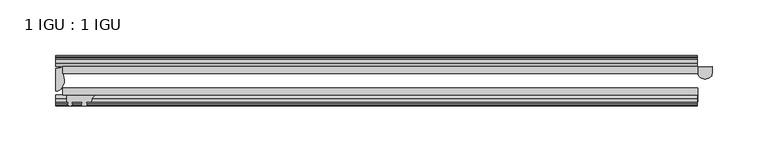
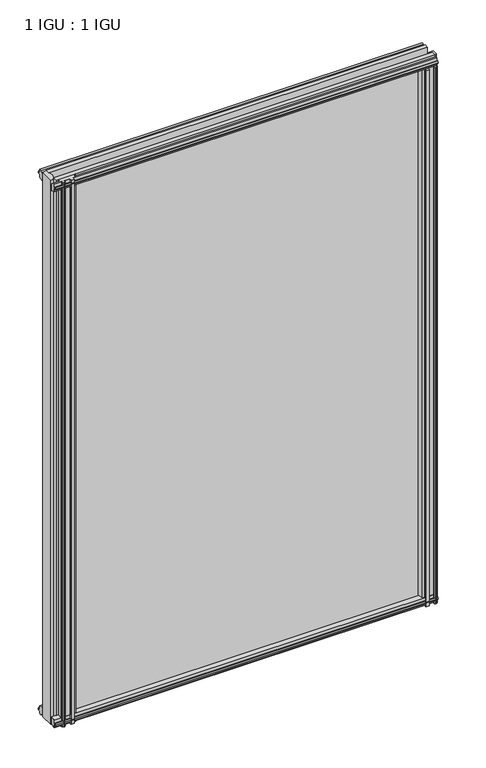
"""IFC4 building model written with IfcOpenShell, lengths in millimetres: plate geometry, 1 IGU : 1 IGU."""

from ifc_helpers import new_model, si_unit, point, frame, frame_2d, origin, place, context, project, spatial, polyline, circle_curve, ellipse_curve, trimmed, segment, composite_curve, outline, extrude, source, transform, mapped, element, save
from ifc_brep_helpers import plane_surface, cylinder_surface, revolved_surface, extruded_surface, advanced_brep


def plate_1_igu_1_igu_33520afc(model_context):
    return source(origin(), model_context, "Body", "SolidModel", [
        extrude(outline(polyline([(-314.3182532, -38.6468937), (253.8940345, -38.6468937), (253.8940345, -44.9460938), (-314.3182532, -44.9460938), (-314.3182532, -38.6468937)])), frame((0.0, 0.0, -12.7), z_axis=(0.0, 0.0, 1.0), x_axis=(1.0, 0.0, 0.0)), (0.0, 0.0, 1.0), 863.5999996),
        extrude(outline(polyline([(-314.3182532, -19.5460937), (253.8940345, -19.5460937), (253.8940345, -25.8960938), (-314.3182532, -25.8960938), (-314.3182532, -19.5460937)])), frame((0.0, 0.0, -12.7), z_axis=(0.0, 0.0, 1.0), x_axis=(1.0, 0.0, 0.0)), (0.0, 0.0, 1.0), 863.5999996),
        advanced_brep(
        [(266.5698689, -19.5460937, -12.4587), (266.5698689, -25.8452938, -12.4587), (253.8698689, -25.8452938, -12.4587), (253.8698689, -19.5460938, -12.4587), (266.5698689, -19.5460937, 837.4379996), (253.8698689, -19.5460938, 837.4379996), (253.8698689, -25.8452938, 837.4379996), (266.5698689, -25.8452938, 837.4379996)],
        [
            (0, 1),
            (1, 2, ellipse_curve(frame((260.2198689, -25.8452938, -12.4587), z_axis=(0.0, 0.0, -1.0), x_axis=(-1.0, 0.0, 0.0)), 6.35, 4.7800819)),
            (2, 3),
            (3, 0, circle_curve(frame((260.2198689, 20.9435078, -12.4587), z_axis=(0.0, 0.0, 1.0), x_axis=(1.0, 0.0, 0.0)), 40.9845134)),
            (4, 5, circle_curve(frame((260.2198689, 20.9435078, 837.4379996), z_axis=(0.0, 0.0, -1.0), x_axis=(1.0, 0.0, 0.0)), 40.9845134)),
            (5, 6),
            (6, 7, ellipse_curve(frame((260.2198689, -25.8452938, 837.4379996), z_axis=(0.0, 0.0, 1.0), x_axis=(-1.0, 0.0, 0.0)), 6.35, 4.7800819)),
            (7, 4),
            (0, 4),
            (7, 1),
            (6, 2),
            (5, 3),
        ],
        [
            plane_surface(frame((253.1995032, -13.1960938, -12.4587), z_axis=(0.0, 0.0, -1.0), x_axis=(0.0, 1.0, 0.0))),
            plane_surface(frame((253.1995032, -13.1960938, 837.4379996), z_axis=(0.0, 0.0, 1.0), x_axis=(0.0, 1.0, 0.0))),
            plane_surface(frame((266.5698689, -19.5460937, -12.4587), z_axis=(1.0, 0.0, 0.0), x_axis=(0.0, 0.0, 1.0))),
            extruded_surface(trimmed(ellipse_curve(frame((260.2198689, -25.8452938, 837.4379996), z_axis=(0.0, 0.0, -1.0), x_axis=(-1.0, 0.0, 0.0)), 6.35, 4.7800819), [point((266.5698689, -25.8452938, 837.4379996))], [point((253.8698689, -25.8452938, 837.4379996))], True, "CARTESIAN"), (0.0, 0.0, -849.8966996), 849.8966996),
            plane_surface(frame((253.8698689, -25.8452938, -12.4587), z_axis=(-1.0, 0.0, 0.0), x_axis=(0.0, 0.0, 1.0))),
            revolved_surface(polyline([(301.2043823, 20.9435078, 837.4379996), (301.2043823, 20.9435078, -12.4587)]), (260.2198689, 20.9435078, -12.4587), (0.0, 0.0, 1.0)),
        ],
        [
            (0, [[1, 2, 3, 4]]),
            (1, [[5, 6, 7, 8]]),
            (2, [[-1, 9, -8, 10]]),
            (3, [[-2, -10, -7, 11]]),
            (4, [[-3, -11, -6, 12]]),
            (5, [[-4, -12, -5, -9]]),
        ],
    ),
        advanced_brep(
        [(-320.6682532, -21.1706006, -12.7), (-314.3196413, -19.5461438, -12.7), (-314.3196413, -25.8549351, -12.7), (-313.1442901, -32.21431, -12.7), (-320.6682532, -41.5384043, -12.7), (-320.6682532, -21.1706006, 850.8999996), (-320.6682532, -41.5384043, 850.8999996), (-313.1442901, -32.21431, 850.8999996), (-314.3196413, -25.8549351, 850.8999996), (-314.3196413, -19.5461438, 850.8999996)],
        [
            (0, 1, circle_curve(frame((-320.6688226, -7.9505008, -12.7), z_axis=(0.0, 0.0, 1.0), x_axis=(1.0, 0.0, 0.0)), 13.2200998)),
            (1, 2),
            (2, 3, circle_curve(frame((-331.2066544, -32.2643264, -12.7), z_axis=(0.0, 0.0, -1.0), x_axis=(1.0, 0.0, 0.0)), 18.0624336)),
            (3, 4, ellipse_curve(frame((-320.6674203, -32.2460921, -12.7), z_axis=(0.0, 0.0, -1.0), x_axis=(0.0, -1.0, 0.0)), 9.2923123, 7.5231742)),
            (4, 0),
            (5, 6),
            (6, 7, ellipse_curve(frame((-320.6674203, -32.2460921, 850.8999996), z_axis=(0.0, 0.0, 1.0), x_axis=(0.0, -1.0, 0.0)), 9.2923123, 7.5231742)),
            (7, 8, circle_curve(frame((-331.2066544, -32.2643264, 850.8999996), z_axis=(0.0, 0.0, 1.0), x_axis=(1.0, 0.0, 0.0)), 18.0624336)),
            (8, 9),
            (9, 5, circle_curve(frame((-320.6688226, -7.9505008, 850.8999996), z_axis=(0.0, 0.0, -1.0), x_axis=(1.0, 0.0, 0.0)), 13.2200998)),
            (0, 5),
            (9, 1),
            (8, 2),
            (7, 3),
            (6, 4),
        ],
        [
            plane_surface(frame((-320.6682532, -13.1960937, -12.7), z_axis=(0.0, 0.0, -1.0), x_axis=(0.0, 1.0, 0.0))),
            plane_surface(frame((-320.6682532, -13.1960937, 850.8999996), z_axis=(0.0, 0.0, 1.0), x_axis=(0.0, 1.0, 0.0))),
            revolved_surface(polyline([(-307.4487228, -7.9505008, 850.8999996), (-307.4487228, -7.9505008, -12.7)]), (-320.6688226, -7.9505008, -12.7), (0.0, 0.0, 1.0)),
            plane_surface(frame((-314.3196413, -19.5461438, -12.7), z_axis=(1.0, 0.0, 0.0), x_axis=(0.0, 0.0, 1.0))),
            cylinder_surface(frame((-331.2066544, -32.2643264, -12.7), z_axis=(0.0, 0.0, -1.0), x_axis=(1.0, 0.0, 0.0)), 18.0624336),
            extruded_surface(trimmed(ellipse_curve(frame((-320.6674203, -32.2460921, 850.8999996), z_axis=(0.0, 0.0, -1.0), x_axis=(0.0, -1.0, 0.0)), 9.2923123, 7.5231742), [point((-313.1442901, -32.21431, 850.8999996))], [point((-320.6682532, -41.5384043, 850.8999996))], True, "CARTESIAN"), (0.0, 0.0, -863.5999996), 863.5999996),
            plane_surface(frame((-320.6682532, -41.5384043, -12.7), z_axis=(-1.0, 0.0, 0.0), x_axis=(0.0, 0.0, 1.0))),
        ],
        [
            (0, [[1, 2, 3, 4, 5]]),
            (1, [[6, 7, 8, 9, 10]]),
            (2, [[-1, 11, -10, 12]]),
            (3, [[-2, -12, -9, 13]]),
            (4, [[-3, -13, -8, 14]]),
            (5, [[-4, -14, -7, 15]]),
            (6, [[-5, -15, -6, -11]]),
        ],
    ),
        extrude(outline(polyline([(-44.9460937, 1.7177181), (-44.9460937, -9.1036578), (-48.3496937, -11.938), (-51.2960937, -11.938), (-51.2960937, -7.493), (-53.6762907, -7.112), (-53.2163575, -8.5275291), (-54.0175717, -8.5275291), (-54.7250937, -6.35), (-54.0175717, -4.1724709), (-53.2163575, -4.1724709), (-53.6762907, -5.588), (-51.2960937, -5.207), (-51.2960937, 0.0), (-44.9460937, 1.7177181)])), frame((-320.6682532, 0.0, 0.0), z_axis=(1.0, 0.0, 0.0), x_axis=(0.0, 1.0, 0.0)), (0.0, 0.0, 1.0), 573.8677564),
        extrude(outline(polyline([(-13.1960937, -12.4587), (-16.1424937, -12.4587), (-19.5460937, -9.6243578), (-19.5460937, 1.1970181), (-13.1960937, -0.5207), (-13.1960937, -5.7277), (-10.8158968, -6.1087), (-11.27583, -4.6931709), (-10.4746158, -4.6931709), (-9.7670937, -6.8707), (-10.4746158, -9.0482291), (-11.27583, -9.0482291), (-10.8158968, -7.6327), (-13.1960937, -8.0137), (-13.1960937, -12.4587)])), frame((-320.6682532, 0.0, 0.0), z_axis=(1.0, 0.0, 0.0), x_axis=(0.0, 1.0, 0.0)), (0.0, 0.0, 1.0), 573.8677564),
        extrude(outline(polyline([(-51.2960937, 850.1379996), (-48.3496937, 850.1379996), (-44.9460937, 847.3036575), (-44.9460937, 836.4822816), (-51.2960937, 838.1999996), (-51.2960937, 843.4069996), (-53.6762907, 843.7879996), (-53.2163575, 842.3724706), (-54.0175717, 842.3724706), (-54.7250937, 844.5499996), (-54.0175717, 846.7275287), (-53.2163575, 846.7275287), (-53.6762907, 845.3119996), (-51.2960937, 845.6929996), (-51.2960937, 850.1379996)])), frame((-320.6682532, 0.0, 0.0), z_axis=(1.0, 0.0, 0.0), x_axis=(0.0, 1.0, 0.0)), (0.0, 0.0, 1.0), 573.8677564),
        extrude(outline(polyline([(-19.5460937, 837.0029816), (-19.5460937, 847.8243575), (-16.1424937, 850.6586996), (-13.1960937, 850.6586996), (-13.1960937, 846.2136996), (-10.8158968, 845.8326996), (-11.27583, 847.2482287), (-10.4746158, 847.2482287), (-9.7670937, 845.0706996), (-10.4746158, 842.8931706), (-11.27583, 842.8931706), (-10.8158968, 844.3086996), (-13.1960937, 843.9276996), (-13.1960937, 838.7206996), (-19.5460937, 837.0029816)])), frame((-320.6682532, 0.0, 0.0), z_axis=(1.0, 0.0, 0.0), x_axis=(0.0, 1.0, 0.0)), (0.0, 0.0, 1.0), 573.8677564),
        extrude(outline(composite_curve([segment(polyline([(253.4971596, -44.9460938), (253.4971596, -51.2960938), (251.8461596, -51.2960938), (251.8461596, -52.9470938), (252.9237903, -52.9470938)]), True, "CONTINUOUS"), segment(trimmed(circle_curve(frame_2d((251.8461596, -52.9470938)), 1.0776307), [point((252.9237903, -52.9470938))], [point((252.6081596, -53.7090938))], False, "CARTESIAN"), True, "CONTINUOUS"), segment(polyline([(252.6081596, -53.7090938), (250.8688672, -54.8194621)]), True, "CONTINUOUS"), segment(trimmed(circle_curve(frame_2d((250.3221596, -53.9630938)), 1.016), [point((250.8688672, -54.8194621))], [point((249.775452, -54.8194621))], False, "CARTESIAN"), True, "CONTINUOUS"), segment(polyline([(249.775452, -54.8194621), (248.0361596, -53.7090938)]), True, "CONTINUOUS"), segment(trimmed(circle_curve(frame_2d((248.7981596, -52.9470938)), 1.0776307), [point((248.0361596, -53.7090938))], [point((247.7205289, -52.9470938))], False, "CARTESIAN"), True, "CONTINUOUS"), segment(polyline([(247.7205289, -52.9470938), (248.7981596, -52.9470938), (248.7981596, -51.2960938), (239.7303596, -51.2960938)]), True, "CONTINUOUS"), segment(trimmed(circle_curve(frame_2d((239.7303596, -51.7532938)), 0.4572), [point((239.7303596, -51.2960938))], [point((239.3915418, -52.0602698))], True, "CARTESIAN"), True, "CONTINUOUS"), segment(trimmed(circle_curve(frame_2d((237.6221596, -53.663367)), 2.3876), [point((239.3915418, -52.0602698))], [point((239.6928026, -54.8520938))], False, "CARTESIAN"), True, "CONTINUOUS"), segment(polyline([(239.6928026, -54.8520938), (235.5515166, -54.8520938)]), True, "CONTINUOUS"), segment(trimmed(circle_curve(frame_2d((237.6221596, -53.663367)), 2.3876), [point((235.5515166, -54.8520938))], [point((235.8527775, -52.0602698))], False, "CARTESIAN"), True, "CONTINUOUS"), segment(trimmed(circle_curve(frame_2d((235.5139596, -51.7532938)), 0.4572), [point((235.8527775, -52.0602698))], [point((235.5139596, -51.2960938))], True, "CARTESIAN"), True, "CONTINUOUS"), segment(polyline([(235.5139596, -51.2960938), (231.2721596, -51.2960938)]), True, "CONTINUOUS"), segment(trimmed(circle_curve(frame_2d((222.2562281, -51.9750196)), 9.0414579), [point((231.2721596, -51.2960938))], [point((227.9432451, -44.9460938))], True, "CARTESIAN"), True, "CONTINUOUS"), segment(polyline([(227.9432451, -44.9460938), (253.4971596, -44.9460938)]), True, "CONTINUOUS")], self_intersect=False)), frame((0.0, 0.0, -12.7), z_axis=(0.0, 0.0, 1.0), x_axis=(1.0, 0.0, 0.0)), (0.0, 0.0, 1.0), 850.8999996),
        extrude(outline(composite_curve([segment(trimmed(circle_curve(frame_2d((-279.9023219, -51.9750196)), 9.0414579), [point((-285.5893388, -44.9460938))], [point((-288.9182534, -51.2960938))], True, "CARTESIAN"), True, "CONTINUOUS"), segment(polyline([(-288.9182534, -51.2960938), (-293.1600534, -51.2960938)]), True, "CONTINUOUS"), segment(trimmed(circle_curve(frame_2d((-293.1600534, -51.7532938)), 0.4572), [point((-293.1600534, -51.2960938))], [point((-293.4988712, -52.0602698))], True, "CARTESIAN"), True, "CONTINUOUS"), segment(trimmed(circle_curve(frame_2d((-295.2682534, -53.663367)), 2.3876), [point((-293.4988712, -52.0602698))], [point((-293.1976104, -54.8520938))], False, "CARTESIAN"), True, "CONTINUOUS"), segment(polyline([(-293.1976104, -54.8520938), (-297.3388964, -54.8520938)]), True, "CONTINUOUS"), segment(trimmed(circle_curve(frame_2d((-295.2682534, -53.663367)), 2.3876), [point((-297.3388964, -54.8520938))], [point((-297.0376355, -52.0602698))], False, "CARTESIAN"), True, "CONTINUOUS"), segment(trimmed(circle_curve(frame_2d((-297.3764534, -51.7532938)), 0.4572), [point((-297.0376355, -52.0602698))], [point((-297.3764534, -51.2960938))], True, "CARTESIAN"), True, "CONTINUOUS"), segment(polyline([(-297.3764534, -51.2960938), (-306.4442534, -51.2960938), (-306.4442534, -52.9470938), (-305.3666226, -52.9470938)]), True, "CONTINUOUS"), segment(trimmed(circle_curve(frame_2d((-306.4442534, -52.9470938)), 1.0776307), [point((-305.3666226, -52.9470938))], [point((-305.6822534, -53.7090938))], False, "CARTESIAN"), True, "CONTINUOUS"), segment(polyline([(-305.6822534, -53.7090938), (-307.4215458, -54.8194621)]), True, "CONTINUOUS"), segment(trimmed(circle_curve(frame_2d((-307.9682534, -53.9630938)), 1.016), [point((-307.4215458, -54.8194621))], [point((-308.514961, -54.8194621))], False, "CARTESIAN"), True, "CONTINUOUS"), segment(polyline([(-308.514961, -54.8194621), (-310.2542534, -53.7090938)]), True, "CONTINUOUS"), segment(trimmed(circle_curve(frame_2d((-309.4922534, -52.9470938)), 1.0776307), [point((-310.2542534, -53.7090938))], [point((-310.5698841, -52.9470938))], False, "CARTESIAN"), True, "CONTINUOUS"), segment(polyline([(-310.5698841, -52.9470938), (-309.4922534, -52.9470938), (-309.4922534, -51.2960938), (-311.1432534, -51.2960938), (-311.1432534, -44.9460938), (-285.5893388, -44.9460938)]), True, "CONTINUOUS")], self_intersect=False)), frame((0.0, 0.0, -12.7), z_axis=(0.0, 0.0, 1.0), x_axis=(1.0, 0.0, 0.0)), (0.0, 0.0, 1.0), 863.5999998),
    ])


if __name__ == "__main__":
    model = new_model("IFC4")
    model_context = context("Model", 3, world=origin())
    ifc_project = project(units=[si_unit("LENGTHUNIT", "METRE", prefix="MILLI")], contexts=[model_context])
    site = spatial("IfcSite", under=ifc_project)
    building = spatial("IfcBuilding", under=site)
    placement = place(None, origin())
    plate_1_igu_1_igu_shape = plate_1_igu_1_igu_33520afc(model_context)
    element("IfcPlate", 1, ObjectType="1 IGU : 1 IGU", at=placement, inside=building, context=model_context, shape_type="MappedRepresentation", body=[
        mapped(plate_1_igu_1_igu_shape, transform((0.0, 0.0, 0.0), x_axis=(1.0, 0.0, 0.0), y_axis=(0.0, 1.0, 0.0), z_axis=(0.0, 0.0, 1.0))),
    ])
    save(model, "model.ifc")
